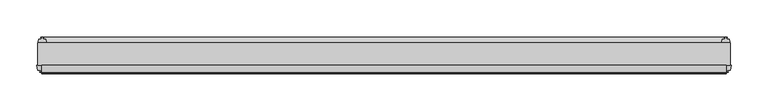
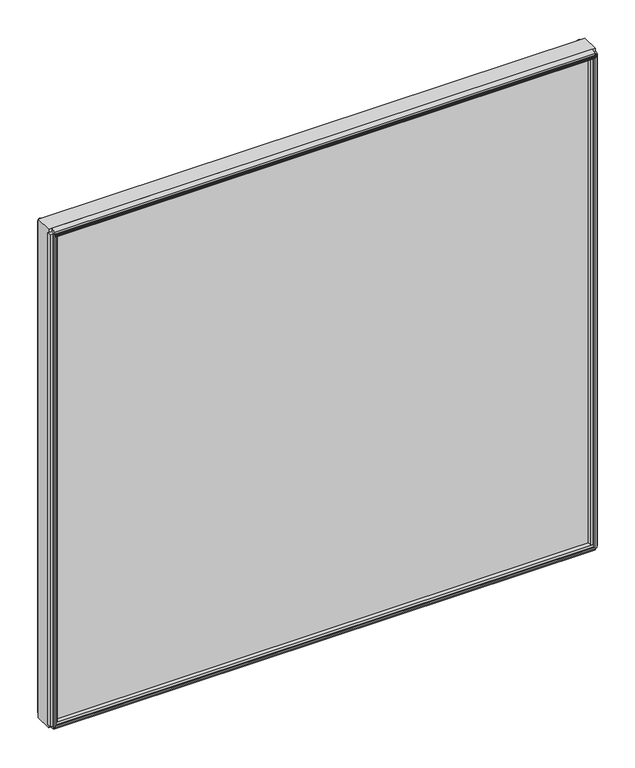
"""IFC4 building model written with IfcOpenShell, lengths in millimetres: plate geometry."""

import ifcopenshell
import ifcopenshell.guid

model = None  # the IFC model being written
_history = None  # IfcOwnerHistory: only IFC2X3 demands one
_inside = {}  # id of a spatial element -> (the spatial element, [elements in it])
_under = {}  # id of a project, library or spatial element -> (it, [spatial elements below it])
_declared = {}  # id of a project -> (the project, [libraries it declares])
_typed = {}  # id of a type object -> (the type object, [elements of that type])
_made_of = {}  # id of a material, layer set ... -> (it, [elements and type objects made of it])


def new_model(schema):
    """Start an empty IFC model of exactly this schema.

    Asked for "IFC4X3", IfcOpenShell would pick the latest addendum, in which some entities
    have other attributes; the version numbers below select the first issue.
    IFC2X3 requires an IfcOwnerHistory on every rooted entity: one is made here for all.
    """
    global model, _history
    if schema == "IFC4X3":
        model = ifcopenshell.file(schema_version=(4, 3, 0, 0))
    else:
        model = ifcopenshell.file(schema=schema)
    _inside.clear()
    _under.clear()
    _declared.clear()
    _typed.clear()
    _made_of.clear()
    _history = None
    if model.schema == "IFC2X3":
        org = make("IfcOrganization", Name="unknown")
        user = make(
            "IfcPersonAndOrganization",
            ThePerson=make("IfcPerson", FamilyName="unknown"),
            TheOrganization=org,
        )
        app = make(
            "IfcApplication",
            ApplicationDeveloper=org,
            Version="unknown",
            ApplicationFullName="unknown",
            ApplicationIdentifier="unknown",
        )
        _history = make(
            "IfcOwnerHistory",
            OwningUser=user,
            OwningApplication=app,
            ChangeAction="ADDED",
            CreationDate=0,
        )
    return model


def make(cls, **values):
    """One entity of the class cls with the attributes given. An attribute that is None is left unset."""
    return model.create_entity(
        cls, **{name: value for name, value in values.items() if value is not None}
    )


def rooted(cls, **values):
    """An entity with a GlobalId (a new one), such as an element, a storey or a relation."""
    return make(cls, GlobalId=ifcopenshell.guid.new(), OwnerHistory=_history, **values)


def si_unit(unit_type, name, prefix=None):
    """IfcSIUnit, for example si_unit("LENGTHUNIT", "METRE", prefix="MILLI")."""
    return make("IfcSIUnit", UnitType=unit_type, Prefix=prefix, Name=name)


def assignment(units):
    """IfcUnitAssignment: the units of a project."""
    return None if units is None else make("IfcUnitAssignment", Units=units)


def point(xyz):
    """IfcCartesianPoint."""
    return None if xyz is None else make("IfcCartesianPoint", Coordinates=xyz)


def direction(xyz):
    """IfcDirection."""
    return None if xyz is None else make("IfcDirection", DirectionRatios=xyz)


def frame(location, z_axis=None, x_axis=None):
    """IfcAxis2Placement3D, a coordinate frame: its origin and axes. An axis left out is left unset."""
    return make(
        "IfcAxis2Placement3D",
        Location=point(location),
        Axis=direction(z_axis),
        RefDirection=direction(x_axis),
    )


def frame_2d(location, x_axis=None):
    """IfcAxis2Placement2D, a coordinate frame in the plane: its origin and x axis."""
    return make(
        "IfcAxis2Placement2D", Location=point(location), RefDirection=direction(x_axis)
    )


def origin():
    """The frame at (0, 0, 0) with its axes left unset."""
    return frame((0.0, 0.0, 0.0))


def place(relative_to, where):
    """IfcLocalPlacement: puts the frame where relative to a parent placement (None: the world)."""
    return make(
        "IfcLocalPlacement", PlacementRelTo=relative_to, RelativePlacement=where
    )


def context(
    kind, dimensions, precision=None, world=None, true_north=None, identifier=None
):
    """IfcGeometricRepresentationContext, for example the 3D "Model" context."""
    return make(
        "IfcGeometricRepresentationContext",
        ContextIdentifier=identifier,
        ContextType=kind,
        CoordinateSpaceDimension=dimensions,
        Precision=precision,
        WorldCoordinateSystem=world,
        TrueNorth=true_north,
    )


def project(units=None, contexts=None):
    """IfcProject with its units and contexts."""
    return rooted(
        "IfcProject",
        Name="project",
        RepresentationContexts=contexts,
        UnitsInContext=assignment(units),
    )


def spatial(cls, under=None, at=None, **own):
    """A site, building, storey or space (cls), placed at a placement, below another one or the project."""
    s = rooted(cls, ObjectPlacement=at, **own)
    if under is not None:
        _under.setdefault(under.id(), (under, []))[1].append(s)
    return s


def polyline(points):
    """IfcPolyline through the points."""
    return make("IfcPolyline", Points=[point(p) for p in points])


def circle_curve(where, radius):
    """IfcCircle in the frame where."""
    return make("IfcCircle", Position=where, Radius=radius)


def trimmed(basis, trim1, trim2, sense, master):
    """IfcTrimmedCurve: the piece of a basis curve between two trims."""
    return make(
        "IfcTrimmedCurve",
        BasisCurve=basis,
        Trim1=trim1,
        Trim2=trim2,
        SenseAgreement=sense,
        MasterRepresentation=master,
    )


def segment(curve, same_sense, transition):
    """IfcCompositeCurveSegment."""
    return make(
        "IfcCompositeCurveSegment",
        Transition=transition,
        SameSense=same_sense,
        ParentCurve=curve,
    )


def composite_curve(segments, self_intersect=None):
    """IfcCompositeCurve: segments joined end to end."""
    return make("IfcCompositeCurve", Segments=segments, SelfIntersect=self_intersect)


def outline(outer, holes=None, kind="AREA"):
    """IfcArbitraryClosedProfileDef: a profile drawn as a closed curve; with holes, ...WithVoids."""
    if holes is None:
        return make("IfcArbitraryClosedProfileDef", ProfileType=kind, OuterCurve=outer)
    return make(
        "IfcArbitraryProfileDefWithVoids",
        ProfileType=kind,
        OuterCurve=outer,
        InnerCurves=holes,
    )


def extrude(swept, where, along, depth):
    """IfcExtrudedAreaSolid: the profile swept, set in the frame where, extruded along a direction by depth."""
    return make(
        "IfcExtrudedAreaSolid",
        SweptArea=swept,
        Position=where,
        ExtrudedDirection=direction(along),
        Depth=depth,
    )


def shape(context_of_items, identifier, shape_type, items):
    """IfcShapeRepresentation: the items that make up one representation, for example the "Body"."""
    return make(
        "IfcShapeRepresentation",
        ContextOfItems=context_of_items,
        RepresentationIdentifier=identifier,
        RepresentationType=shape_type,
        Items=items,
    )


def source(mapping_origin, context_of_items, identifier, shape_type, items):
    """IfcRepresentationMap: a shape defined once, which mapped items show again and again."""
    return make(
        "IfcRepresentationMap",
        MappingOrigin=mapping_origin,
        MappedRepresentation=shape(context_of_items, identifier, shape_type, items),
    )


def transform(
    local_origin,
    x_axis=None,
    y_axis=None,
    z_axis=None,
    scale=None,
    scale2=None,
    scale3=None,
    uniform=True,
):
    """IfcCartesianTransformationOperator3D, or its non-uniform kind. x_axis, y_axis, z_axis: its Axis1, 2, 3."""
    if uniform:
        return make(
            "IfcCartesianTransformationOperator3D",
            Axis1=direction(x_axis),
            Axis2=direction(y_axis),
            LocalOrigin=point(local_origin),
            Scale=scale,
            Axis3=direction(z_axis),
        )
    return make(
        "IfcCartesianTransformationOperator3DnonUniform",
        Axis1=direction(x_axis),
        Axis2=direction(y_axis),
        LocalOrigin=point(local_origin),
        Scale=scale,
        Axis3=direction(z_axis),
        Scale2=scale2,
        Scale3=scale3,
    )


def mapped(mapping_source, mapping_target):
    """IfcMappedItem: shows the shape of a source again, moved by a transform."""
    return make(
        "IfcMappedItem", MappingSource=mapping_source, MappingTarget=mapping_target
    )


def made_of(thing, what):
    """Note that an element or type object is made of a material, layer set ...; save() writes the relation."""
    if what is not None:
        _made_of.setdefault(what.id(), (what, []))[1].append(thing)
    return thing


def element(
    cls,
    number,
    at=None,
    inside=None,
    cuts=None,
    type_object=None,
    material=None,
    context=None,
    identifier="Body",
    shape_type=None,
    held_by="IfcProductDefinitionShape",
    body=None,
    shapes=None,
    **own,
):
    """One element of the class cls, such as IfcWall. Its Tag is "e" and its number.

    at: its placement. inside: the storey or other place that contains it. cuts: it is an
    opening in that element (IfcRelVoidsElement). A single representation is given by context,
    identifier, shape_type and body (its items); several are given by shapes. held_by: the class
    of the entity that holds the representations. save() writes the other relations.
    """
    e = rooted(cls, Tag="e%d" % number, ObjectPlacement=at, **own)
    if body is not None:
        shapes = [shape(context, identifier, shape_type, body)]
    if shapes is not None:
        e.Representation = make(held_by, Representations=shapes)
    if inside is not None:
        _inside.setdefault(inside.id(), (inside, []))[1].append(e)
    if cuts is not None:
        rooted(
            "IfcRelVoidsElement", RelatingBuildingElement=cuts, RelatedOpeningElement=e
        )
    if type_object is not None:
        _typed.setdefault(type_object.id(), (type_object, []))[1].append(e)
    return made_of(e, material)


def aggregate(whole, parts):
    """IfcRelAggregates: a whole, such as a stair, and the parts it consists of."""
    return rooted("IfcRelAggregates", RelatingObject=whole, RelatedObjects=parts)


def save(model, path):
    """Write the relations noted so far, then the file.

    IfcRelAggregates (storeys below a building ...), IfcRelContainedInSpatialStructure (elements
    in a storey), IfcRelDefinesByType, IfcRelAssociatesMaterial and IfcRelDeclares: one each for
    every whole, place, type object, material and project.
    """
    for whole, parts in _under.values():
        aggregate(whole, parts)
    for where, things in _inside.values():
        rooted(
            "IfcRelContainedInSpatialStructure",
            RelatedElements=things,
            RelatingStructure=where,
        )
    for kind, things in _typed.values():
        rooted("IfcRelDefinesByType", RelatedObjects=things, RelatingType=kind)
    for what, things in _made_of.values():
        rooted("IfcRelAssociatesMaterial", RelatedObjects=things, RelatingMaterial=what)
    for by, libraries in _declared.values():
        rooted("IfcRelDeclares", RelatingContext=by, RelatedDefinitions=libraries)
    model.write(path)


def plate_1180c9f2(model_context):
    return source(origin(), model_context, "Body", "SweptSolid", [
        extrude(outline(polyline([(465.8624, 0.0611188), (465.8624, -30.0632812), (-476.9749, -30.0632812), (-476.9749, 0.0611188), (465.8624, 0.0611188)])), frame((0.0, 0.0, -11.1125), z_axis=(0.0, 0.0, 1.0), x_axis=(1.0, 0.0, 0.0)), (0.0, 0.0, 1.0), 908.0162004),
        extrude(outline(composite_curve([segment(polyline([(8.0873088, 0.0002053), (5.6997088, 0.0001442)]), True, "CONTINUOUS"), segment(trimmed(circle_curve(frame_2d((5.6997289, -0.7872558)), 0.7874), [point((5.6997088, 0.0001442))], [point((4.9123289, -0.7872759))], True, "CARTESIAN"), True, "CONTINUOUS"), segment(polyline([(4.9123289, -0.7872759), (4.9123491, -1.5746759), (6.4871491, -1.5746356), (4.9125187, -7.3281779), (4.9125187, -8.2080719)]), True, "CONTINUOUS"), segment(trimmed(circle_curve(frame_2d((2.4868178, -8.16973)), 2.426004), [point((4.9125187, -8.2080719))], [point((0.0611188, -8.208196))], False, "CARTESIAN"), True, "CONTINUOUS"), segment(polyline([(0.0611188, -8.208196), (0.0611188, 5.8106117)]), True, "CONTINUOUS"), segment(trimmed(circle_curve(frame_2d((11.7432902, 13.4990678)), 13.9851882), [point((0.0611188, 5.8106117))], [point((8.0873088, 0.0002053))], True, "CARTESIAN"), True, "CONTINUOUS")], self_intersect=False)), frame((-471.41865, 0.0, 0.0), z_axis=(1.0, 0.0, 0.0), x_axis=(0.0, 1.0, 0.0)), (0.0, 0.0, 1.0), 931.7248),
        extrude(outline(polyline([(-39.5149036, -7.140847), (-39.2671431, -8.6868), (-40.0794863, -8.6868), (-40.4772812, -6.35), (-40.0622654, -4.0132), (-39.2489981, -4.0132), (-39.5092713, -5.5660571), (-36.7897626, -5.0931804), (-36.7897626, -0.8006079), (-30.0632812, 0.3636403), (-30.0632812, -13.1466842), (-36.798847, -11.9285134), (-36.798847, -7.6331642), (-39.5149036, -7.140847)])), frame((-471.41865, 0.0, 0.0), z_axis=(1.0, 0.0, 0.0), x_axis=(0.0, 1.0, 0.0)), (0.0, 0.0, 1.0), 931.7248),
        extrude(outline(polyline([(-30.0632813, 897.4956015), (-30.0632813, 883.1260134), (-36.7942812, 884.8951854), (-37.9052879, 889.0415186), (-40.6553872, 888.804256), (-40.0090278, 887.3733906), (-40.7941323, 887.1630224), (-41.7914929, 889.3150138), (-42.003749, 891.6773734), (-41.2186445, 891.8877415), (-41.0629754, 890.325396), (-38.5626883, 891.4949702), (-39.6736949, 895.6413034), (-30.0632813, 897.4956015)])), frame((-471.41865, 0.0, 0.0), z_axis=(1.0, 0.0, 0.0), x_axis=(0.0, 1.0, 0.0)), (0.0, 0.0, 1.0), 931.7248),
        extrude(outline(polyline([(461.0583429, -39.5092713), (462.6068246, -39.2497314), (462.6097316, -40.0625262), (460.2744, -40.4772812), (457.9361614, -40.0792415), (457.9361614, -39.2664467), (459.483553, -39.5149036), (458.9912273, -36.7987999), (454.7126005, -36.7987999), (453.5193, -30.0632812), (467.0295, -30.0632812), (465.8405205, -36.7744101), (461.5338891, -36.7744101), (461.0583429, -39.5092713)])), frame((0.0, 0.0, -5.55625), z_axis=(0.0, 0.0, 1.0), x_axis=(1.0, 0.0, 0.0)), (0.0, 0.0, 1.0), 896.9037004),
        extrude(outline(polyline([(458.7284571, 7.5513088), (457.1799754, 7.2917689), (457.1770684, 8.1045637), (459.5124, 8.5193188), (461.8506386, 8.121279), (461.8506386, 7.3084842), (460.303247, 7.5569411), (460.7955727, 4.8408374), (464.2865409, 4.8408374), (464.8153556, 2.5845617), (464.2822338, 0.0611188), (454.7425662, 0.0611188), (454.2094444, 2.5845617), (454.7372, 4.8363188), (458.2563662, 4.8363188), (458.7284571, 7.5513088)])), frame((0.0, 0.0, -5.55625), z_axis=(0.0, 0.0, 1.0), x_axis=(1.0, 0.0, 0.0)), (0.0, 0.0, 1.0), 896.9037004),
        extrude(outline(polyline([(-472.1708429, -39.5092713), (-472.6463891, -36.7744101), (-476.9530205, -36.7744101), (-478.142, -30.0632812), (-464.6318, -30.0632812), (-465.8251005, -36.7987999), (-470.1037273, -36.7987999), (-470.596053, -39.5149036), (-469.0486614, -39.2664467), (-469.0486614, -40.0792415), (-471.3869, -40.4772812), (-473.7222316, -40.0625262), (-473.7193246, -39.2497314), (-472.1708429, -39.5092713)])), frame((0.0, 0.0, -5.55625), z_axis=(0.0, 0.0, 1.0), x_axis=(1.0, 0.0, 0.0)), (0.0, 0.0, 1.0), 896.9037004),
        extrude(outline(polyline([(-469.8409571, 7.5513088), (-469.3688662, 4.8363188), (-465.8497, 4.8363188), (-465.3219444, 2.5845617), (-465.8550662, 0.0611188), (-475.3947338, 0.0611188), (-475.9278556, 2.5845617), (-475.3990409, 4.8408374), (-471.9080727, 4.8408374), (-471.415747, 7.5569411), (-472.9631386, 7.3084842), (-472.9631386, 8.121279), (-470.6249, 8.5193188), (-468.2895684, 8.1045637), (-468.2924754, 7.2917689), (-469.8409571, 7.5513088)])), frame((0.0, 0.0, -5.55625), z_axis=(0.0, 0.0, 1.0), x_axis=(1.0, 0.0, 0.0)), (0.0, 0.0, 1.0), 896.9037004),
    ])


if __name__ == "__main__":
    model = new_model("IFC4")
    model_context = context("Model", 3, world=origin())
    ifc_project = project(units=[si_unit("LENGTHUNIT", "METRE", prefix="MILLI")], contexts=[model_context])
    site = spatial("IfcSite", under=ifc_project)
    building = spatial("IfcBuilding", under=site)
    placement = place(None, origin())
    plate_shape = plate_1180c9f2(model_context)
    element("IfcPlate", 1, at=placement, inside=building, context=model_context, shape_type="MappedRepresentation", body=[
        mapped(plate_shape, transform((0.0, 0.0, 0.0), x_axis=(1.0, 0.0, 0.0), y_axis=(0.0, 1.0, 0.0), z_axis=(0.0, 0.0, 1.0))),
    ])
    save(model, "model.ifc")
